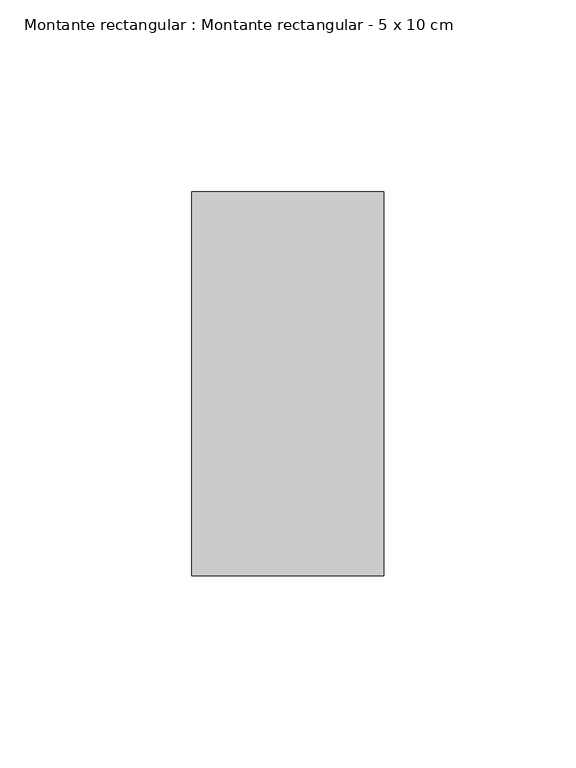
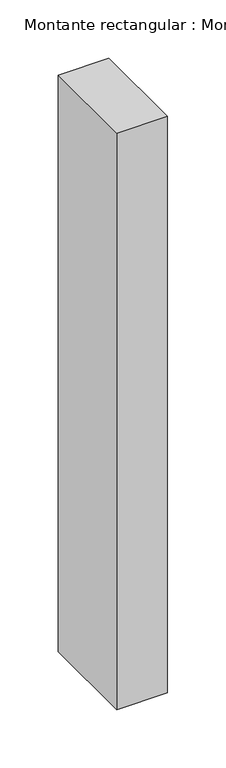
"""IFC4 building model written with IfcOpenShell, lengths in millimetres: member geometry, Montante rectangular : Montante rectangular - 5 x 10 cm."""

from ifc_helpers import new_model, si_unit, frame, origin, place, context, project, spatial, polyline, outline, extrude, source, transform, mapped, element, save


def montante_rectangular_montante_rectangular_5_x_10_cm_1d08e99f(model_context):
    return source(origin(), model_context, "Body", "SweptSolid", [
        extrude(outline(polyline([(0.0, 50.0), (0.0, -50.0), (-50.0, -50.0), (-50.0, 50.0), (0.0, 50.0)])), frame((0.0, 0.0, -603.0), z_axis=(0.0, 0.0, 1.0), x_axis=(1.0, 0.0, 0.0)), (0.0, 0.0, 1.0), 603.0),
    ])


if __name__ == "__main__":
    model = new_model("IFC4")
    model_context = context("Model", 3, world=origin())
    ifc_project = project(units=[si_unit("LENGTHUNIT", "METRE", prefix="MILLI")], contexts=[model_context])
    site = spatial("IfcSite", under=ifc_project)
    building = spatial("IfcBuilding", under=site)
    placement = place(None, origin())
    montante_rectangular_montante_rectangular_5_x_10_cm_shape = montante_rectangular_montante_rectangular_5_x_10_cm_1d08e99f(model_context)
    element("IfcMember", 1, ObjectType="Montante rectangular : Montante rectangular - 5 x 10 cm", at=placement, inside=building, context=model_context, shape_type="MappedRepresentation", body=[
        mapped(montante_rectangular_montante_rectangular_5_x_10_cm_shape, transform((0.0, 0.0, 0.0), x_axis=(1.0, 0.0, 0.0), y_axis=(0.0, 1.0, 0.0), z_axis=(0.0, 0.0, 1.0))),
    ])
    save(model, "model.ifc")
